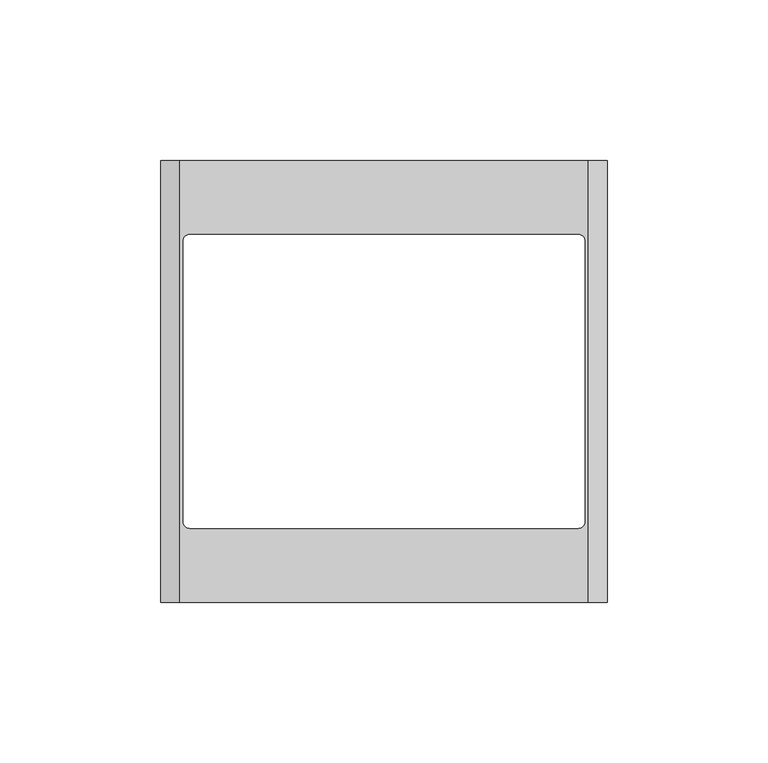
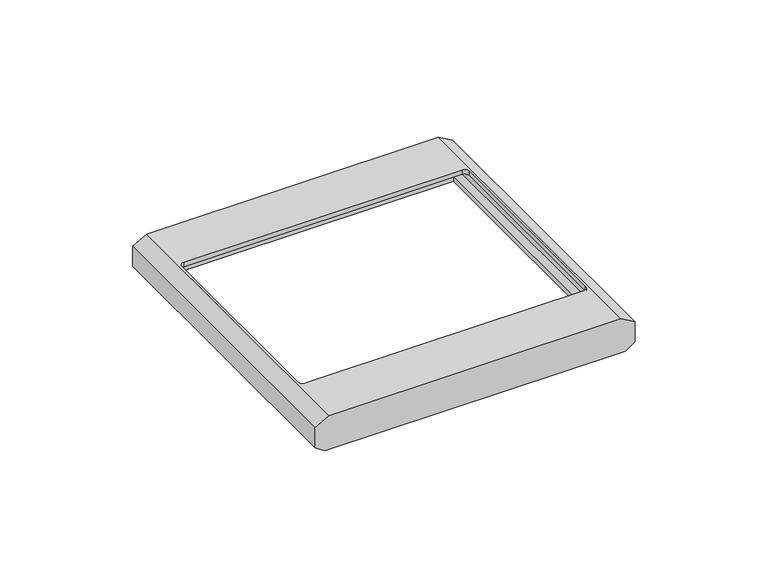
"""IFC4 building model written with IfcOpenShell, lengths in millimetres: proxy geometry."""

from ifc_helpers import new_model, si_unit, frame, origin, place, context, project, spatial, polyline, circle_curve, source, transform, mapped, element, save
from ifc_brep_helpers import plane_surface, revolved_surface, advanced_brep


def electrical_fixtures_fbe3ad00(model_context):
    return source(origin(), model_context, "Body", "AdvancedBrep", [
        advanced_brep(
        [(-69.5, 0.0, 12.0358984), (-69.5, 0.0, 2.8008302), (-65.5, 0.0, 0.0), (65.5, 0.0, 0.0), (69.5, 0.0, 2.8008302), (69.5, 0.0, 12.0358984), (63.5, 0.0, 15.5), (-63.5, 0.0, 15.5), (-69.5, 137.5, 12.0358984), (-63.5, 137.5, 15.5), (63.5, 137.5, 15.5), (69.5, 137.5, 12.0358984), (69.5, 137.5, 2.8008302), (65.5, 137.5, 0.0), (-65.5, 137.5, 0.0), (-69.5, 137.5, 2.8008302), (-65.0, 8.5707578, 0.0), (65.0, 8.5707578, 0.0), (65.0, 128.8257382, 0.0), (-65.0, 128.8257382, 0.0), (-60.5, 114.5, 15.5), (60.5, 114.5, 15.5), (62.5, 112.5, 15.5), (62.5, 25.0, 15.5), (60.5, 23.0, 15.5), (-10.5635083, 23.0, 15.5), (-60.5, 23.0, 15.5), (-62.5, 25.0, 15.5), (-62.5, 112.5, 15.5), (-67.5, 8.5707578, 3.8419643), (-67.5, 8.5707578, 10.8811978), (-62.9641016, 8.5707578, 13.5), (62.9641016, 8.5707578, 13.5), (67.5, 8.5707578, 10.8811978), (67.5, 8.5707578, 3.8419643), (65.0, 8.5707578, 2.0914454), (-65.0, 8.5707578, 2.0914454), (-67.5, 128.8257382, 3.8419643), (-65.0, 128.8257382, 2.0914454), (65.0, 128.8257382, 2.0914454), (67.5, 128.8257382, 3.8419643), (67.5, 128.8257382, 10.8811978), (62.9641016, 128.8257382, 13.5), (-62.9641016, 128.8257382, 13.5), (-67.5, 128.8257382, 10.8811978), (60.5, 114.5, 13.5), (-60.5, 114.5, 13.5), (-62.5, 112.5, 13.5), (-62.5, 25.0, 13.5), (-60.5, 23.0, 13.5), (-10.5635083, 23.0, 13.5), (60.5, 23.0, 13.5), (62.5, 25.0, 13.5), (62.5, 112.5, 13.5)],
        [
            (0, 1),
            (1, 2),
            (2, 3),
            (3, 4),
            (4, 5),
            (5, 6),
            (6, 7),
            (7, 0),
            (8, 9),
            (9, 10),
            (10, 11),
            (11, 12),
            (12, 13),
            (13, 14),
            (14, 15),
            (15, 8),
            (0, 8),
            (15, 1),
            (14, 2),
            (13, 3),
            (16, 17),
            (17, 18),
            (18, 19),
            (19, 16),
            (12, 4),
            (11, 5),
            (10, 6),
            (9, 7),
            (20, 21),
            (21, 22, circle_curve(frame((60.5, 112.5, 15.5), z_axis=(0.0, 0.0, -1.0), x_axis=(1.0, 0.0, 0.0)), 2.0)),
            (22, 23),
            (23, 24, circle_curve(frame((60.5, 25.0, 15.5), z_axis=(0.0, 0.0, -1.0), x_axis=(1.0, 0.0, 0.0)), 2.0)),
            (24, 25),
            (25, 26),
            (26, 27, circle_curve(frame((-60.5, 25.0, 15.5), z_axis=(0.0, 0.0, -1.0), x_axis=(1.0, 0.0, 0.0)), 2.0)),
            (27, 28),
            (28, 20, circle_curve(frame((-60.5, 112.5, 15.5), z_axis=(0.0, 0.0, -1.0), x_axis=(1.0, 0.0, 0.0)), 2.0)),
            (29, 30),
            (30, 31),
            (31, 32),
            (32, 33),
            (33, 34),
            (34, 35),
            (35, 17),
            (16, 36),
            (36, 29),
            (37, 38),
            (38, 19),
            (18, 39),
            (39, 40),
            (40, 41),
            (41, 42),
            (42, 43),
            (43, 44),
            (44, 37),
            (36, 38),
            (37, 29),
            (35, 39),
            (34, 40),
            (33, 41),
            (32, 42),
            (31, 43),
            (45, 46),
            (46, 47, circle_curve(frame((-60.5, 112.5, 13.5), z_axis=(0.0, 0.0, 1.0), x_axis=(1.0, 0.0, 0.0)), 2.0)),
            (47, 48),
            (48, 49, circle_curve(frame((-60.5, 25.0, 13.5), z_axis=(0.0, 0.0, 1.0), x_axis=(1.0, 0.0, 0.0)), 2.0)),
            (49, 50),
            (50, 51),
            (51, 52, circle_curve(frame((60.5, 25.0, 13.5), z_axis=(0.0, 0.0, 1.0), x_axis=(1.0, 0.0, 0.0)), 2.0)),
            (52, 53),
            (53, 45, circle_curve(frame((60.5, 112.5, 13.5), z_axis=(0.0, 0.0, 1.0), x_axis=(1.0, 0.0, 0.0)), 2.0)),
            (30, 44),
            (45, 21),
            (20, 46),
            (28, 47),
            (27, 48),
            (26, 49),
            (25, 50),
            (24, 51),
            (23, 52),
            (22, 53),
        ],
        [
            plane_surface(frame((-69.5, 0.0, 11.8626933), z_axis=(0.0, -1.0, 0.0), x_axis=(0.0, 0.0, -1.0))),
            plane_surface(frame((-69.5, 137.5, 11.8626933), z_axis=(0.0, 1.0, 0.0), x_axis=(0.0, 0.0, 1.0))),
            plane_surface(frame((-69.5, 0.0, 12.0358984), z_axis=(-1.0, 0.0, 0.0), x_axis=(0.0, 1.0, 0.0))),
            plane_surface(frame((-69.5, 0.0, 2.8008302), z_axis=(-0.5735764363510116, 0.0, -0.8191520442890159), x_axis=(0.0, 1.0, 0.0))),
            plane_surface(frame((-65.5, 0.0, 0.0), z_axis=(0.0, 0.0, -1.0), x_axis=(0.0, 1.0, 0.0))),
            plane_surface(frame((65.5, 0.0, 0.0), z_axis=(0.5735764363510074, 0.0, -0.8191520442890189), x_axis=(0.0, 1.0, 0.0))),
            plane_surface(frame((69.5, 0.0, 2.8008302), z_axis=(1.0, 0.0, 0.0), x_axis=(0.0, 1.0, 0.0))),
            plane_surface(frame((69.5, 0.0, 12.0358984), z_axis=(0.5000000000001901, 0.0, 0.8660254037843289), x_axis=(0.0, 1.0, 0.0))),
            plane_surface(frame((63.5, 0.0, 15.5), z_axis=(0.0, 0.0, 1.0), x_axis=(0.0, 1.0, 0.0))),
            plane_surface(frame((-63.5, 0.0, 15.5), z_axis=(-0.5000000000001898, 0.0, 0.866025403784329), x_axis=(0.0, 1.0, 0.0))),
            plane_surface(frame((-67.3720729, 8.5707578, 3.7523888), z_axis=(0.0, 1.0, 0.0), x_axis=(0.8191520442890168, 0.0, -0.5735764363510105))),
            plane_surface(frame((-67.3720729, 128.8257382, 3.7523888), z_axis=(0.0, -1.0, 0.0), x_axis=(-0.8191520442890168, 0.0, 0.5735764363510105))),
            plane_surface(frame((-67.5, 8.5707578, 3.8419643), z_axis=(0.5735764363510105, 0.0, 0.8191520442890168), x_axis=(0.0, 1.0, 0.0))),
            plane_surface(frame((-65.0, 8.5707578, 2.0914454), z_axis=(1.0, 0.0, 0.0), x_axis=(0.0, 1.0, 0.0))),
            plane_surface(frame((65.0, 8.5707578, 0.0), z_axis=(-1.0, 0.0, 0.0), x_axis=(0.0, 1.0, 0.0))),
            plane_surface(frame((65.0, 8.5707578, 2.0914454), z_axis=(-0.5735764363510099, 0.0, 0.8191520442890173), x_axis=(0.0, 1.0, 0.0))),
            plane_surface(frame((67.5, 8.5707578, 3.8419643), z_axis=(-1.0, 0.0, 0.0), x_axis=(0.0, 1.0, 0.0))),
            plane_surface(frame((67.5, 8.5707578, 10.8811978), z_axis=(-0.5000000000001897, 0.0, -0.8660254037843291), x_axis=(0.0, 1.0, 0.0))),
            plane_surface(frame((62.9641016, 8.5707578, 13.5), z_axis=(0.0, 0.0, -1.0), x_axis=(0.0, 1.0, 0.0))),
            plane_surface(frame((-62.9641016, 8.5707578, 13.5), z_axis=(0.5000000000001897, 0.0, -0.8660254037843291), x_axis=(0.0, 1.0, 0.0))),
            plane_surface(frame((-67.5, 8.5707578, 10.8811978), z_axis=(1.0, 0.0, 0.0), x_axis=(0.0, 1.0, 0.0))),
            plane_surface(frame((60.5, 114.5, 15.5), z_axis=(0.0, -1.0, 0.0), x_axis=(0.0, 0.0, -1.0))),
            revolved_surface(polyline([(-58.5, 112.5, 15.5), (-58.5, 112.5, 13.5)]), (-60.5, 112.5, 0.0), (0.0, 0.0, 1.0)),
            plane_surface(frame((-62.5, 112.5, 15.5), z_axis=(1.0, 0.0, 0.0), x_axis=(0.0, 0.0, -1.0))),
            revolved_surface(polyline([(-58.5, 25.0, 15.5), (-58.5, 25.0, 13.5)]), (-60.5, 25.0, 0.0), (0.0, 0.0, 1.0)),
            plane_surface(frame((-60.5, 23.0, 15.5), z_axis=(0.0, 1.0, 0.0), x_axis=(0.0, 0.0, -1.0))),
            plane_surface(frame((-10.5635083, 23.0, 15.5), z_axis=(0.0, 1.0, 0.0), x_axis=(0.0, 0.0, -1.0))),
            revolved_surface(polyline([(62.5, 25.0, 15.5), (62.5, 25.0, 13.5)]), (60.5, 25.0, 0.0), (0.0, 0.0, 1.0)),
            plane_surface(frame((62.5, 25.0, 15.5), z_axis=(-1.0, 0.0, 0.0), x_axis=(0.0, 0.0, -1.0))),
            revolved_surface(polyline([(62.5, 112.5, 15.5), (62.5, 112.5, 13.5)]), (60.5, 112.5, 0.0), (0.0, 0.0, 1.0)),
        ],
        [
            (0, [[1, 2, 3, 4, 5, 6, 7, 8]]),
            (1, [[9, 10, 11, 12, 13, 14, 15, 16]]),
            (2, [[-1, 17, -16, 18]]),
            (3, [[-2, -18, -15, 19]]),
            (4, [[-3, -19, -14, 20], [21, 22, 23, 24]]),
            (5, [[-4, -20, -13, 25]]),
            (6, [[-5, -25, -12, 26]]),
            (7, [[-6, -26, -11, 27]]),
            (8, [[-7, -27, -10, 28], [29, 30, 31, 32, 33, 34, 35, 36, 37]]),
            (9, [[-8, -28, -9, -17]]),
            (10, [[38, 39, 40, 41, 42, 43, 44, -21, 45, 46]]),
            (11, [[47, 48, -23, 49, 50, 51, 52, 53, 54, 55]]),
            (12, [[-46, 56, -47, 57]]),
            (13, [[-45, -24, -48, -56]]),
            (14, [[-44, 58, -49, -22]]),
            (15, [[-43, 59, -50, -58]]),
            (16, [[-42, 60, -51, -59]]),
            (17, [[-41, 61, -52, -60]]),
            (18, [[-40, 62, -53, -61], [63, 64, 65, 66, 67, 68, 69, 70, 71]]),
            (19, [[-39, 72, -54, -62]]),
            (20, [[-38, -57, -55, -72]]),
            (21, [[73, -29, 74, -63]]),
            (22, [[-74, -37, 75, -64]]),
            (23, [[-75, -36, 76, -65]]),
            (24, [[-76, -35, 77, -66]]),
            (25, [[-77, -34, 78, -67]]),
            (26, [[-78, -33, 79, -68]]),
            (27, [[-79, -32, 80, -69]]),
            (28, [[-80, -31, 81, -70]]),
            (29, [[-73, -71, -81, -30]]),
        ],
    ),
    ])


if __name__ == "__main__":
    model = new_model("IFC4")
    model_context = context("Model", 3, world=origin())
    ifc_project = project(units=[si_unit("LENGTHUNIT", "METRE", prefix="MILLI")], contexts=[model_context])
    site = spatial("IfcSite", under=ifc_project)
    building = spatial("IfcBuilding", under=site)
    placement = place(None, origin())
    electrical_fixtures_shape = electrical_fixtures_fbe3ad00(model_context)
    element("IfcBuildingElementProxy", 1, Name="Electrical Fixtures", at=placement, inside=building, context=model_context, shape_type="MappedRepresentation", body=[
        mapped(electrical_fixtures_shape, transform((0.0, 0.0, 0.0), x_axis=(1.0, 0.0, 0.0), y_axis=(0.0, 1.0, 0.0), z_axis=(0.0, 0.0, 1.0))),
    ])
    save(model, "model.ifc")
